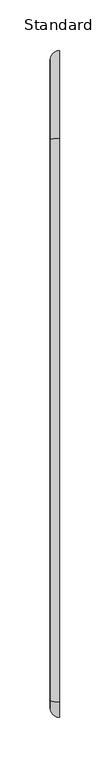
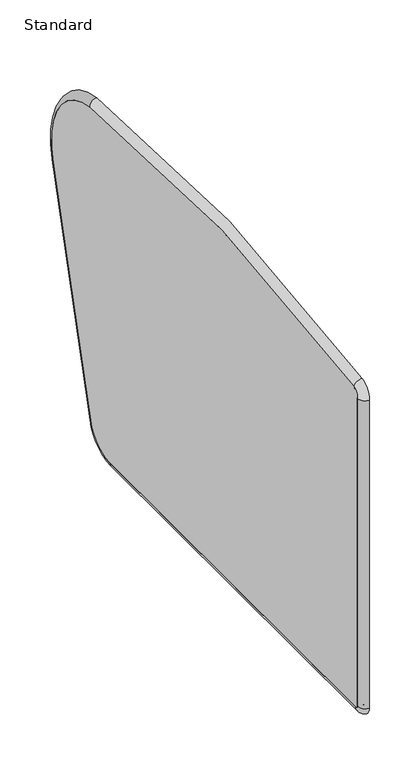
"""IFC4 building model written with IfcOpenShell, lengths in millimetres: furniture geometry, Standard."""

import ifcopenshell
import ifcopenshell.guid

model = None  # the IFC model being written
_history = None  # IfcOwnerHistory: only IFC2X3 demands one
_inside = {}  # id of a spatial element -> (the spatial element, [elements in it])
_under = {}  # id of a project, library or spatial element -> (it, [spatial elements below it])
_declared = {}  # id of a project -> (the project, [libraries it declares])
_typed = {}  # id of a type object -> (the type object, [elements of that type])
_made_of = {}  # id of a material, layer set ... -> (it, [elements and type objects made of it])


def new_model(schema):
    """Start an empty IFC model of exactly this schema.

    Asked for "IFC4X3", IfcOpenShell would pick the latest addendum, in which some entities
    have other attributes; the version numbers below select the first issue.
    IFC2X3 requires an IfcOwnerHistory on every rooted entity: one is made here for all.
    """
    global model, _history
    if schema == "IFC4X3":
        model = ifcopenshell.file(schema_version=(4, 3, 0, 0))
    else:
        model = ifcopenshell.file(schema=schema)
    _inside.clear()
    _under.clear()
    _declared.clear()
    _typed.clear()
    _made_of.clear()
    _history = None
    if model.schema == "IFC2X3":
        org = make("IfcOrganization", Name="unknown")
        user = make(
            "IfcPersonAndOrganization",
            ThePerson=make("IfcPerson", FamilyName="unknown"),
            TheOrganization=org,
        )
        app = make(
            "IfcApplication",
            ApplicationDeveloper=org,
            Version="unknown",
            ApplicationFullName="unknown",
            ApplicationIdentifier="unknown",
        )
        _history = make(
            "IfcOwnerHistory",
            OwningUser=user,
            OwningApplication=app,
            ChangeAction="ADDED",
            CreationDate=0,
        )
    return model


def make(cls, **values):
    """One entity of the class cls with the attributes given. An attribute that is None is left unset."""
    return model.create_entity(
        cls, **{name: value for name, value in values.items() if value is not None}
    )


def rooted(cls, **values):
    """An entity with a GlobalId (a new one), such as an element, a storey or a relation."""
    return make(cls, GlobalId=ifcopenshell.guid.new(), OwnerHistory=_history, **values)


def si_unit(unit_type, name, prefix=None):
    """IfcSIUnit, for example si_unit("LENGTHUNIT", "METRE", prefix="MILLI")."""
    return make("IfcSIUnit", UnitType=unit_type, Prefix=prefix, Name=name)


def assignment(units):
    """IfcUnitAssignment: the units of a project."""
    return None if units is None else make("IfcUnitAssignment", Units=units)


def point(xyz):
    """IfcCartesianPoint."""
    return None if xyz is None else make("IfcCartesianPoint", Coordinates=xyz)


def direction(xyz):
    """IfcDirection."""
    return None if xyz is None else make("IfcDirection", DirectionRatios=xyz)


def frame(location, z_axis=None, x_axis=None):
    """IfcAxis2Placement3D, a coordinate frame: its origin and axes. An axis left out is left unset."""
    return make(
        "IfcAxis2Placement3D",
        Location=point(location),
        Axis=direction(z_axis),
        RefDirection=direction(x_axis),
    )


def frame_2d(location, x_axis=None):
    """IfcAxis2Placement2D, a coordinate frame in the plane: its origin and x axis."""
    return make(
        "IfcAxis2Placement2D", Location=point(location), RefDirection=direction(x_axis)
    )


def origin():
    """The frame at (0, 0, 0) with its axes left unset."""
    return frame((0.0, 0.0, 0.0))


def place(relative_to, where):
    """IfcLocalPlacement: puts the frame where relative to a parent placement (None: the world)."""
    return make(
        "IfcLocalPlacement", PlacementRelTo=relative_to, RelativePlacement=where
    )


def context(
    kind, dimensions, precision=None, world=None, true_north=None, identifier=None
):
    """IfcGeometricRepresentationContext, for example the 3D "Model" context."""
    return make(
        "IfcGeometricRepresentationContext",
        ContextIdentifier=identifier,
        ContextType=kind,
        CoordinateSpaceDimension=dimensions,
        Precision=precision,
        WorldCoordinateSystem=world,
        TrueNorth=true_north,
    )


def project(units=None, contexts=None):
    """IfcProject with its units and contexts."""
    return rooted(
        "IfcProject",
        Name="project",
        RepresentationContexts=contexts,
        UnitsInContext=assignment(units),
    )


def spatial(cls, under=None, at=None, **own):
    """A site, building, storey or space (cls), placed at a placement, below another one or the project."""
    s = rooted(cls, ObjectPlacement=at, **own)
    if under is not None:
        _under.setdefault(under.id(), (under, []))[1].append(s)
    return s


def polyline(points):
    """IfcPolyline through the points."""
    return make("IfcPolyline", Points=[point(p) for p in points])


def circle_curve(where, radius):
    """IfcCircle in the frame where."""
    return make("IfcCircle", Position=where, Radius=radius)


def ellipse_curve(where, semi_axis1, semi_axis2):
    """IfcEllipse in the frame where."""
    return make(
        "IfcEllipse", Position=where, SemiAxis1=semi_axis1, SemiAxis2=semi_axis2
    )


def trimmed(basis, trim1, trim2, sense, master):
    """IfcTrimmedCurve: the piece of a basis curve between two trims."""
    return make(
        "IfcTrimmedCurve",
        BasisCurve=basis,
        Trim1=trim1,
        Trim2=trim2,
        SenseAgreement=sense,
        MasterRepresentation=master,
    )


def segment(curve, same_sense, transition):
    """IfcCompositeCurveSegment."""
    return make(
        "IfcCompositeCurveSegment",
        Transition=transition,
        SameSense=same_sense,
        ParentCurve=curve,
    )


def composite_curve(segments, self_intersect=None):
    """IfcCompositeCurve: segments joined end to end."""
    return make("IfcCompositeCurve", Segments=segments, SelfIntersect=self_intersect)


def outline(outer, holes=None, kind="AREA"):
    """IfcArbitraryClosedProfileDef: a profile drawn as a closed curve; with holes, ...WithVoids."""
    if holes is None:
        return make("IfcArbitraryClosedProfileDef", ProfileType=kind, OuterCurve=outer)
    return make(
        "IfcArbitraryProfileDefWithVoids",
        ProfileType=kind,
        OuterCurve=outer,
        InnerCurves=holes,
    )


def extrude(swept, where, along, depth):
    """IfcExtrudedAreaSolid: the profile swept, set in the frame where, extruded along a direction by depth."""
    return make(
        "IfcExtrudedAreaSolid",
        SweptArea=swept,
        Position=where,
        ExtrudedDirection=direction(along),
        Depth=depth,
    )


def shape(context_of_items, identifier, shape_type, items):
    """IfcShapeRepresentation: the items that make up one representation, for example the "Body"."""
    return make(
        "IfcShapeRepresentation",
        ContextOfItems=context_of_items,
        RepresentationIdentifier=identifier,
        RepresentationType=shape_type,
        Items=items,
    )


def source(mapping_origin, context_of_items, identifier, shape_type, items):
    """IfcRepresentationMap: a shape defined once, which mapped items show again and again."""
    return make(
        "IfcRepresentationMap",
        MappingOrigin=mapping_origin,
        MappedRepresentation=shape(context_of_items, identifier, shape_type, items),
    )


def transform(
    local_origin,
    x_axis=None,
    y_axis=None,
    z_axis=None,
    scale=None,
    scale2=None,
    scale3=None,
    uniform=True,
):
    """IfcCartesianTransformationOperator3D, or its non-uniform kind. x_axis, y_axis, z_axis: its Axis1, 2, 3."""
    if uniform:
        return make(
            "IfcCartesianTransformationOperator3D",
            Axis1=direction(x_axis),
            Axis2=direction(y_axis),
            LocalOrigin=point(local_origin),
            Scale=scale,
            Axis3=direction(z_axis),
        )
    return make(
        "IfcCartesianTransformationOperator3DnonUniform",
        Axis1=direction(x_axis),
        Axis2=direction(y_axis),
        LocalOrigin=point(local_origin),
        Scale=scale,
        Axis3=direction(z_axis),
        Scale2=scale2,
        Scale3=scale3,
    )


def mapped(mapping_source, mapping_target):
    """IfcMappedItem: shows the shape of a source again, moved by a transform."""
    return make(
        "IfcMappedItem", MappingSource=mapping_source, MappingTarget=mapping_target
    )


def made_of(thing, what):
    """Note that an element or type object is made of a material, layer set ...; save() writes the relation."""
    if what is not None:
        _made_of.setdefault(what.id(), (what, []))[1].append(thing)
    return thing


def element(
    cls,
    number,
    at=None,
    inside=None,
    cuts=None,
    type_object=None,
    material=None,
    context=None,
    identifier="Body",
    shape_type=None,
    held_by="IfcProductDefinitionShape",
    body=None,
    shapes=None,
    **own,
):
    """One element of the class cls, such as IfcWall. Its Tag is "e" and its number.

    at: its placement. inside: the storey or other place that contains it. cuts: it is an
    opening in that element (IfcRelVoidsElement). A single representation is given by context,
    identifier, shape_type and body (its items); several are given by shapes. held_by: the class
    of the entity that holds the representations. save() writes the other relations.
    """
    e = rooted(cls, Tag="e%d" % number, ObjectPlacement=at, **own)
    if body is not None:
        shapes = [shape(context, identifier, shape_type, body)]
    if shapes is not None:
        e.Representation = make(held_by, Representations=shapes)
    if inside is not None:
        _inside.setdefault(inside.id(), (inside, []))[1].append(e)
    if cuts is not None:
        rooted(
            "IfcRelVoidsElement", RelatingBuildingElement=cuts, RelatedOpeningElement=e
        )
    if type_object is not None:
        _typed.setdefault(type_object.id(), (type_object, []))[1].append(e)
    return made_of(e, material)


def aggregate(whole, parts):
    """IfcRelAggregates: a whole, such as a stair, and the parts it consists of."""
    return rooted("IfcRelAggregates", RelatingObject=whole, RelatedObjects=parts)


def save(model, path):
    """Write the relations noted so far, then the file.

    IfcRelAggregates (storeys below a building ...), IfcRelContainedInSpatialStructure (elements
    in a storey), IfcRelDefinesByType, IfcRelAssociatesMaterial and IfcRelDeclares: one each for
    every whole, place, type object, material and project.
    """
    for whole, parts in _under.values():
        aggregate(whole, parts)
    for where, things in _inside.values():
        rooted(
            "IfcRelContainedInSpatialStructure",
            RelatedElements=things,
            RelatingStructure=where,
        )
    for kind, things in _typed.values():
        rooted("IfcRelDefinesByType", RelatedObjects=things, RelatingType=kind)
    for what, things in _made_of.values():
        rooted("IfcRelAssociatesMaterial", RelatedObjects=things, RelatingMaterial=what)
    for by, libraries in _declared.values():
        rooted("IfcRelDeclares", RelatingContext=by, RelatedDefinitions=libraries)
    model.write(path)


def plane_surface(at):
    """IfcPlane: the flat surface through the origin of the frame at, square to its z axis."""
    return make("IfcPlane", Position=at)


def cylinder_surface(at, radius):
    """IfcCylindricalSurface: all points at the distance radius from the z axis of the frame at."""
    return make("IfcCylindricalSurface", Position=at, Radius=radius)


def revolved_surface(curve, axis_point, axis_direction):
    """IfcSurfaceOfRevolution: the curve turned about the line through axis_point along axis_direction."""
    return make(
        "IfcSurfaceOfRevolution",
        SweptCurve=make("IfcArbitraryOpenProfileDef", ProfileType="CURVE", Curve=curve),
        AxisPosition=make("IfcAxis1Placement", Location=point(axis_point), Axis=direction(axis_direction)),
    )


def advanced_brep(points, edges, surfaces, faces):
    """IfcAdvancedBrep: a solid bounded by faces that lie on surfaces and meet in shared edges.

    An edge is (start, end): straight between two places in points (the first is 0);
    or (start, end, curve); or (start, end, curve, False) where it runs against its curve.
    A face is (place in surfaces, loops), or (place, loops, False) where it looks against
    its surface's normal. A loop lists edges by number (the first is 1), with a minus sign
    where the edge is run from its end to its start. The first loop is the outer one.
    """
    corners = [point(p) for p in points]
    vertices = [make("IfcVertexPoint", VertexGeometry=c) for c in corners]
    made = []
    for start, end, *more in edges:
        made.append(
            make(
                "IfcEdgeCurve",
                EdgeStart=vertices[start],
                EdgeEnd=vertices[end],
                EdgeGeometry=more[0] if more else make("IfcPolyline", Points=[corners[start], corners[end]]),
                SameSense=more[1] if len(more) > 1 else True,
            )
        )
    hull = []
    for where, loops, *sense in faces:
        bounds = []
        for j, loop in enumerate(loops):
            ring = [make("IfcOrientedEdge", EdgeElement=made[abs(k) - 1], Orientation=k > 0) for k in loop]
            bounds.append(
                make(
                    "IfcFaceOuterBound" if j == 0 else "IfcFaceBound",
                    Bound=make("IfcEdgeLoop", EdgeList=ring),
                    Orientation=True,
                )
            )
        hull.append(make("IfcAdvancedFace", Bounds=bounds, FaceSurface=surfaces[where], SameSense=sense[0] if sense else True))
    return make("IfcAdvancedBrep", Outer=make("IfcClosedShell", CfsFaces=hull))


def standard_4470f3ab(model_context):
    return source(origin(), model_context, "Body", "SolidModel", [
        extrude(outline(composite_curve([segment(trimmed(circle_curve(frame_2d((232.3767093, 354.7657439)), 90.0), [point((243.1013962, 444.1244653))], [point((319.1177225, 330.7658141))], False, "CARTESIAN"), True, "CONTINUOUS"), segment(polyline([(319.1177225, 330.7658141), (239.9971913, 44.8068509)]), True, "CONTINUOUS"), segment(trimmed(circle_curve(frame_2d((201.4456299, 55.4734864)), 40.0), [point((239.9971913, 44.8068509))], [point((201.4456299, 15.4734864))], False, "CARTESIAN"), True, "CONTINUOUS"), segment(polyline([(201.4456299, 15.4734864), (-316.7177096, 15.4734864)]), True, "CONTINUOUS"), segment(trimmed(circle_curve(frame_2d((-316.7177096, 19.0274949)), 3.5540085), [point((-316.7177096, 15.4734864))], [point((-320.2717181, 19.0274949))], False, "CARTESIAN"), True, "CONTINUOUS"), segment(polyline([(-320.2717181, 19.0274949), (-320.2717181, 413.6069088)]), True, "CONTINUOUS"), segment(trimmed(circle_curve(frame_2d((-310.2717181, 413.6069088)), 10.0), [point((-320.2717181, 413.6069088))], [point((-312.1994259, 423.4193469))], False, "CARTESIAN"), True, "CONTINUOUS"), segment(trimmed(circle_curve(frame_2d((30.9686286, -1323.3782124)), 1780.1870764), [point((-312.1994259, 423.4193469))], [point((243.1013962, 444.1244653))], False, "CARTESIAN"), True, "CONTINUOUS")], self_intersect=False)), frame((-311.3902313, 0.0, 0.0), z_axis=(1.0, 0.0, 0.0), x_axis=(0.0, 1.0, 0.0)), (0.0, 0.0, 1.0), 9.099779),
        advanced_brep(
        [(-311.3902313, 239.9971913, 44.2414969), (-302.2904523, 248.7674585, 41.8148963), (-302.2904523, 201.4456299, 5.8083534), (-311.3902313, 201.4456299, 14.9081324), (-302.2904523, 239.9971913, 44.2414969), (-302.2904523, 201.4456299, 14.9081324), (-311.3902313, 319.1177225, 330.2004601), (-302.2904523, 327.8879897, 327.7738595), (-302.2904523, 319.1177225, 330.2004601), (-311.3902313, 243.1013962, 443.5591113), (-302.2904523, 244.1857549, 452.5940515), (-302.2904523, 243.1013962, 443.5591113), (-311.3902313, -312.1994259, 422.8539929), (-302.2904523, -313.9535974, 431.7830947), (-302.2904523, -312.1994259, 422.8539929), (-311.3902313, -320.2717181, 413.0415547), (-302.2904523, -329.3714971, 413.0415547), (-302.2904523, -320.2717181, 413.0415547), (-311.3902313, -320.2717181, 18.4621409), (-302.2904523, -329.3714971, 18.4621409), (-302.2904523, -320.2717181, 18.4621409), (-311.3902313, -316.7177096, 14.9081324), (-302.2904523, -316.7177096, 5.8083534), (-302.2904523, -316.7177096, 14.9081324)],
        [
            (0, 1, circle_curve(frame((-302.2904523, 239.9971913, 44.2414969), z_axis=(0.0, -0.2666658866306344, -0.9637890354779398), x_axis=(0.0, 0.9637890354779398, -0.2666658866306344)), 9.099779)),
            (1, 2, circle_curve(frame((-302.2904523, 201.4456299, 54.9081324), z_axis=(-1.0, 0.0, 0.0), x_axis=(0.0, 0.0, -1.0)), 49.099779)),
            (2, 3, circle_curve(frame((-302.2904523, 201.4456299, 14.9081324), z_axis=(0.0, 1.0, 0.0), x_axis=(0.0, 0.0, -1.0)), 9.099779)),
            (3, 0, circle_curve(frame((-311.3902313, 201.4456299, 54.9081324), z_axis=(1.0, 0.0, 0.0), x_axis=(0.0, 0.0, -1.0)), 40.0)),
            (4, 0),
            (3, 5),
            (5, 4, circle_curve(frame((-302.2904523, 201.4456299, 54.9081324), z_axis=(1.0, 0.0, 0.0), x_axis=(0.0, 0.0, -1.0)), 40.0)),
            (0, 6),
            (6, 7, circle_curve(frame((-302.2904523, 319.1177225, 330.2004601), z_axis=(0.0, -0.2666658866306242, -0.9637890354779427), x_axis=(0.0, 0.9637890354779427, -0.2666658866306242)), 9.099779)),
            (7, 1),
            (4, 8),
            (8, 6),
            (9, 10, circle_curve(frame((-302.2904523, 243.1013962, 443.5591113), z_axis=(0.0, 0.9928746822128468, -0.1191631881947548), x_axis=(0.0, 0.1191631881947548, 0.9928746822128468)), 9.099779)),
            (10, 7, circle_curve(frame((-302.2904523, 232.3767093, 354.2003899), z_axis=(-1.0, 0.0, 0.0), x_axis=(0.0, 0.9637890354779446, -0.26666588663061735)), 99.099779)),
            (6, 9, circle_curve(frame((-311.3902313, 232.3767093, 354.2003899), z_axis=(1.0, 0.0, 0.0), x_axis=(0.0, 0.9637890354779446, -0.26666588663061735)), 90.0)),
            (11, 9),
            (8, 11, circle_curve(frame((-302.2904523, 232.3767093, 354.2003899), z_axis=(1.0, 0.0, 0.0), x_axis=(0.0, 0.9637890354779446, -0.26666588663061735)), 90.0)),
            (12, 13, circle_curve(frame((-302.2904523, -312.1994259, 422.8539929), z_axis=(0.0, 0.9812438156027963, 0.1927707818660947), x_axis=(0.0, -0.1927707818660947, 0.9812438156027963)), 9.099779)),
            (13, 10, circle_curve(frame((-302.2904523, 30.9686286, -1323.9435664), z_axis=(-1.0, 0.0, 0.0), x_axis=(0.0, 0.11916318819464253, 0.9928746822128602)), 1789.2868554)),
            (9, 12, circle_curve(frame((-311.3902313, 30.9686286, -1323.9435664), z_axis=(1.0, 0.0, 0.0), x_axis=(0.0, 0.11916318819464253, 0.9928746822128602)), 1780.1870764)),
            (14, 12),
            (11, 14, circle_curve(frame((-302.2904523, 30.9686286, -1323.9435664), z_axis=(1.0, 0.0, 0.0), x_axis=(0.0, 0.11916318819464253, 0.9928746822128602)), 1780.1870764)),
            (15, 16, circle_curve(frame((-302.2904523, -320.2717181, 413.0415547), z_axis=(0.0, 0.0, 0.9999999999999999), x_axis=(0.0, -0.9999999999999999, 0.0)), 9.099779)),
            (16, 13, circle_curve(frame((-302.2904523, -310.2717181, 413.0415547), z_axis=(-1.0, 0.0, 0.0), x_axis=(0.0, -0.19277078186497792, 0.9812438156030157)), 19.099779)),
            (12, 15, circle_curve(frame((-311.3902313, -310.2717181, 413.0415547), z_axis=(1.0, 0.0, 0.0), x_axis=(0.0, -0.19277078186497792, 0.9812438156030157)), 10.0)),
            (17, 15),
            (14, 17, circle_curve(frame((-302.2904523, -310.2717181, 413.0415547), z_axis=(1.0, 0.0, 0.0), x_axis=(0.0, -0.19277078186497792, 0.9812438156030157)), 10.0)),
            (15, 18),
            (18, 19, circle_curve(frame((-302.2904523, -320.2717181, 18.4621409), z_axis=(0.0, 0.0, 1.0), x_axis=(0.0, -1.0, 0.0)), 9.099779)),
            (19, 16),
            (17, 20),
            (20, 18),
            (21, 22, circle_curve(frame((-302.2904523, -316.7177096, 14.9081324), z_axis=(0.0, -1.0, 0.0), x_axis=(0.0, 0.0, -1.0)), 9.099779)),
            (22, 19, circle_curve(frame((-302.2904523, -316.7177096, 18.4621409), z_axis=(-1.0, 0.0, 0.0), x_axis=(0.0, -1.0, 0.0)), 12.6537875)),
            (18, 21, circle_curve(frame((-311.3902313, -316.7177096, 18.4621409), z_axis=(1.0, 0.0, 0.0), x_axis=(0.0, -1.0, 0.0)), 3.5540085)),
            (23, 21),
            (20, 23, circle_curve(frame((-302.2904523, -316.7177096, 18.4621409), z_axis=(1.0, 0.0, 0.0), x_axis=(0.0, -1.0, 0.0)), 3.5540085)),
            (21, 3),
            (2, 22),
            (23, 5),
        ],
        [
            revolved_surface(trimmed(ellipse_curve(frame((-302.2904523, 201.4456299, 14.9081324), z_axis=(0.0, 1.0, 0.0), x_axis=(0.0, 0.0, -1.0)), 9.099779, 9.099779), [point((-302.2904523, 201.4456299, 5.8083534))], [point((-311.3902313, 201.4456299, 14.9081324))], True, "CARTESIAN"), (-302.2904523, 201.4456299, 54.9081324), (-1.0, 0.0, 0.0)),
            revolved_surface(polyline([(-311.3902313, 201.4456299, 14.9081324), (-302.2904523, 201.4456299, 14.9081324)]), (-302.2904523, 201.4456299, 54.9081324), (-1.0, 0.0, 0.0)),
            cylinder_surface(frame((-302.2904523, 239.9971913, 44.2414969), z_axis=(0.0, -0.2666658866306242, -0.9637890354779427), x_axis=(0.0, 0.9637890354779427, -0.2666658866306242)), 9.099779),
            plane_surface(frame((-311.3902313, 239.9971913, 44.2414969), z_axis=(0.0, -0.9637890354779428, 0.26666588663062407), x_axis=(0.0, 0.26666588663062407, 0.9637890354779428))),
            revolved_surface(trimmed(ellipse_curve(frame((-302.2904523, 319.1177225, 330.2004601), z_axis=(0.0, 0.2666658866306174, 0.9637890354779446), x_axis=(0.0, 0.9637890354779446, -0.2666658866306174)), 9.099779, 9.099779), [point((-302.2904523, 327.8879897, 327.7738595))], [point((-311.3902313, 319.1177225, 330.2004601))], True, "CARTESIAN"), (-302.2904523, 232.3767093, 354.2003899), (-1.0, 0.0, 0.0)),
            revolved_surface(polyline([(-311.3902313, 319.117722493015, 330.20046010324444), (-302.2904523, 319.117722493015, 330.20046010324444)]), (-302.2904523, 232.3767093, 354.2003899), (-1.0, 0.0, 0.0)),
            revolved_surface(trimmed(ellipse_curve(frame((-302.2904523, 243.1013962, 443.5591113), z_axis=(0.0, -0.9928746822128602, 0.11916318819464253), x_axis=(0.0, 0.11916318819464253, 0.9928746822128602)), 9.099779, 9.099779), [point((-302.2904523, 244.1857549, 452.5940515))], [point((-311.3902313, 243.1013962, 443.5591113))], True, "CARTESIAN"), (-302.2904523, 30.9686286, -1323.9435664), (-1.0, 0.0, 0.0)),
            revolved_surface(polyline([(-311.3902313, 243.10139620672368, 443.5591113600908), (-302.2904523, 243.10139620672368, 443.5591113600908)]), (-302.2904523, 30.9686286, -1323.9435664), (-1.0, 0.0, 0.0)),
            revolved_surface(trimmed(ellipse_curve(frame((-302.2904523, -312.1994259, 422.8539929), z_axis=(0.0, -0.9812438156030157, -0.19277078186497798), x_axis=(0.0, -0.19277078186497798, 0.9812438156030157)), 9.099779, 9.099779), [point((-302.2904523, -313.9535974, 431.7830947))], [point((-311.3902313, -312.1994259, 422.8539929))], True, "CARTESIAN"), (-302.2904523, -310.2717181, 413.0415547), (-1.0, 0.0, 0.0)),
            revolved_surface(polyline([(-311.3902313, -312.19942591864975, 422.8539928560302), (-302.2904523, -312.19942591864975, 422.8539928560302)]), (-302.2904523, -310.2717181, 413.0415547), (-1.0, 0.0, 0.0)),
            cylinder_surface(frame((-302.2904523, -320.2717181, 413.0415547), z_axis=(0.0, 0.0, 1.0), x_axis=(0.0, -1.0, 0.0)), 9.099779),
            plane_surface(frame((-311.3902313, -320.2717181, 413.0415547), z_axis=(0.0, 1.0, 0.0), x_axis=(0.0, 0.0, -1.0))),
            revolved_surface(trimmed(ellipse_curve(frame((-302.2904523, -320.2717181, 18.4621409), z_axis=(0.0, 0.0, -1.0), x_axis=(0.0, -1.0, 0.0)), 9.099779, 9.099779), [point((-302.2904523, -329.3714971, 18.4621409))], [point((-311.3902313, -320.2717181, 18.4621409))], True, "CARTESIAN"), (-302.2904523, -316.7177096, 18.4621409), (-1.0, 0.0, 0.0)),
            revolved_surface(polyline([(-311.3902313, -320.2717181, 18.4621409), (-302.2904523, -320.2717181, 18.4621409)]), (-302.2904523, -316.7177096, 18.4621409), (-1.0, 0.0, 0.0)),
            cylinder_surface(frame((-302.2904523, -316.7177096, 14.9081324), z_axis=(0.0, -1.0, 0.0), x_axis=(0.0, 0.0, -1.0)), 9.099779),
            plane_surface(frame((-311.3902313, -316.7177096, 14.9081324), z_axis=(0.0, 0.0, 1.0), x_axis=(0.0, 1.0, 0.0))),
            plane_surface(frame((-302.2904523, -316.7177096, 14.9081324), z_axis=(1.0, 0.0, 0.0), x_axis=(0.0, 1.0, 0.0))),
        ],
        [
            (0, [[1, 2, 3, 4]]),
            (1, [[5, -4, 6, 7]]),
            (2, [[8, 9, 10, -1]]),
            (3, [[11, 12, -8, -5]]),
            (4, [[13, 14, -9, 15]]),
            (5, [[16, -15, -12, 17]]),
            (6, [[18, 19, -13, 20]]),
            (7, [[21, -20, -16, 22]]),
            (8, [[23, 24, -18, 25]]),
            (9, [[26, -25, -21, 27]]),
            (10, [[28, 29, 30, -23]]),
            (11, [[31, 32, -28, -26]]),
            (12, [[33, 34, -29, 35]]),
            (13, [[36, -35, -32, 37]]),
            (14, [[38, -3, 39, -33]]),
            (15, [[40, -6, -38, -36]]),
            (16, [[-2, -10, -14, -19, -24, -30, -34, -39], [-27, -22, -17, -11, -7, -40, -37, -31]]),
        ],
    ),
    ])


if __name__ == "__main__":
    model = new_model("IFC4")
    model_context = context("Model", 3, world=origin())
    ifc_project = project(units=[si_unit("LENGTHUNIT", "METRE", prefix="MILLI")], contexts=[model_context])
    site = spatial("IfcSite", under=ifc_project)
    building = spatial("IfcBuilding", under=site)
    placement = place(None, origin())
    standard_shape = standard_4470f3ab(model_context)
    element("IfcFurniture", 1, ObjectType="Standard", at=placement, inside=building, context=model_context, shape_type="MappedRepresentation", body=[
        mapped(standard_shape, transform((0.0, 0.0, 0.0), x_axis=(1.0, 0.0, 0.0), y_axis=(0.0, 1.0, 0.0), z_axis=(0.0, 0.0, 1.0))),
    ])
    save(model, "model.ifc")
